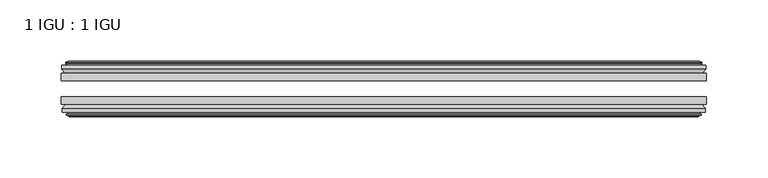
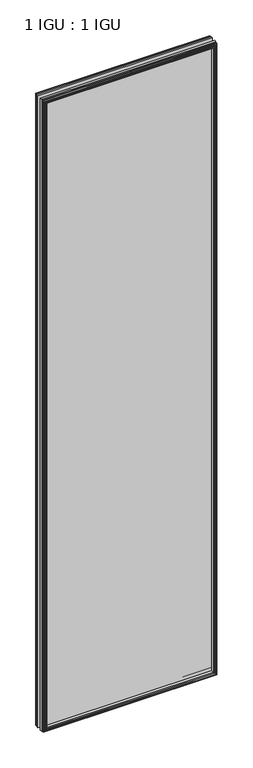
"""IFC4 building model written with IfcOpenShell, lengths in millimetres: plate geometry, 1 IGU : 1 IGU."""

from ifc_helpers import new_model, si_unit, frame, origin, place, context, project, spatial, polyline, outline, extrude, faceted_brep, source, transform, mapped, element, save


def plate_1_igu_1_igu_8767b7f7(model_context):
    return source(origin(), model_context, "Body", "SolidModel", [
        extrude(outline(polyline([(263.525, -25.8960937), (263.525, -32.2460938), (-263.525, -32.2460938), (-263.525, -25.8960937), (263.525, -25.8960937)])), frame((0.0, 0.0, -12.7), z_axis=(0.0, 0.0, 1.0), x_axis=(1.0, 0.0, 0.0)), (0.0, 0.0, 1.0), 2019.3),
        extrude(outline(polyline([(-263.525, -51.2960938), (-263.525, -45.2686737), (263.525, -45.2686737), (263.525, -51.2960938), (-263.525, -51.2960938)])), frame((0.0, 0.0, -12.7), z_axis=(0.0, 0.0, 1.0), x_axis=(1.0, 0.0, 0.0)), (0.0, 0.0, 1.0), 2019.3),
        faceted_brep([(-257.937, -60.0262907, 2001.012), (-258.318, -57.6460937, 2001.393), (-258.318, -57.6460937, -7.493), (-257.937, -60.0262907, -7.112), (-259.3525291, -59.5663575, 2002.4275291), (-259.3525291, -59.5663575, -8.5275291), (-259.3525291, -60.3675717, 2002.4275291), (-259.3525291, -60.3675717, -8.5275291), (-257.175, -61.0750937, 2000.25), (-257.175, -61.0750937, -6.35), (-254.997471, -60.3675717, 1998.072471), (-254.997471, -60.3675717, -4.1724709), (-254.997471, -59.5663575, 1998.072471), (-254.997471, -59.5663575, -4.1724709), (-256.413, -60.0262907, 1999.488), (-256.413, -60.0262907, -5.588), (-256.032, -57.6460937, 1999.107), (-256.032, -57.6460937, -5.207), (-249.1072819, -51.2960937, 1992.1822819), (-250.825, -57.6460937, 1993.9), (-250.825, -57.6460937, 0.0), (-249.1072819, -51.2960937, 1.7177181), (-262.763, -54.6996937, 2005.838), (-259.9286578, -51.2960937, 2003.0036578), (-259.9286578, -51.2960937, -9.1036578), (-262.763, -54.6996937, -11.938), (-262.763, -57.6460937, 2005.838), (-262.763, -57.6460937, -11.938), (258.318, -57.6460938, -7.493), (257.937, -60.0262907, -7.112), (259.3525291, -59.5663575, -8.5275291), (259.3525291, -60.3675717, -8.5275291), (257.175, -61.0750937, -6.35), (254.997471, -60.3675717, -4.1724709), (254.997471, -59.5663575, -4.1724709), (256.413, -60.0262907, -5.588), (256.032, -57.6460937, -5.207), (250.825, -57.6460937, 0.0), (249.1072819, -51.2960937, 1.7177181), (259.9286578, -51.2960937, -9.1036578), (262.763, -54.6996937, -11.938), (262.763, -57.6460938, -11.938), (258.318, -57.6460938, 2001.393), (257.937, -60.0262907, 2001.012), (259.3525291, -59.5663575, 2002.4275291), (259.3525291, -60.3675717, 2002.4275291), (257.175, -61.0750937, 2000.25), (254.997471, -60.3675717, 1998.072471), (254.997471, -59.5663575, 1998.072471), (256.413, -60.0262907, 1999.488), (256.032, -57.6460937, 1999.107), (250.825, -57.6460937, 1993.9), (249.1072819, -51.2960937, 1992.1822819), (259.9286578, -51.2960937, 2003.0036578), (262.763, -54.6996937, 2005.838), (262.763, -57.6460938, 2005.838)], [[[0, 1, 2, 3]], [[4, 0, 3, 5]], [[6, 4, 5, 7]], [[8, 6, 7, 9]], [[10, 8, 9, 11]], [[12, 10, 11, 13]], [[14, 12, 13, 15]], [[16, 14, 15, 17]], [[18, 19, 20, 21]], [[22, 23, 24, 25]], [[26, 22, 25, 27]], [[3, 2, 28, 29]], [[5, 3, 29, 30]], [[7, 5, 30, 31]], [[9, 7, 31, 32]], [[11, 9, 32, 33]], [[13, 11, 33, 34]], [[15, 13, 34, 35]], [[17, 15, 35, 36]], [[21, 20, 37, 38]], [[25, 24, 39, 40]], [[27, 25, 40, 41]], [[29, 28, 42, 43]], [[30, 29, 43, 44]], [[31, 30, 44, 45]], [[32, 31, 45, 46]], [[33, 32, 46, 47]], [[34, 33, 47, 48]], [[35, 34, 48, 49]], [[36, 35, 49, 50]], [[38, 37, 51, 52]], [[40, 39, 53, 54]], [[41, 40, 54, 55]], [[27, 41, 55, 26], [1, 42, 28, 2]], [[43, 42, 1, 0]], [[44, 43, 0, 4]], [[45, 44, 4, 6]], [[46, 45, 6, 8]], [[47, 46, 8, 10]], [[48, 47, 10, 12]], [[49, 48, 12, 14]], [[50, 49, 14, 16]], [[17, 36, 50, 16], [19, 51, 37, 20]], [[52, 51, 19, 18]], [[23, 53, 39, 24], [21, 38, 52, 18]], [[54, 53, 23, 22]], [[55, 54, 22, 26]]]),
        faceted_brep([(-260.4493578, -25.8960937, 2003.5243578), (-263.2837, -22.4924937, 2006.3587), (-263.2837, -22.4924937, -12.4587), (-260.4493578, -25.8960937, -9.6243578), (-251.3457, -19.5460937, 1994.4207), (-249.6279819, -25.8960937, 1992.7029819), (-249.6279819, -25.8960937, 1.1970181), (-251.3457, -19.5460937, -0.5207), (-256.9337, -17.1658968, 2000.0087), (-256.5527, -19.5460937, 1999.6277), (-256.5527, -19.5460937, -5.7277), (-256.9337, -17.1658968, -6.1087), (-255.518171, -17.62583, 1998.593171), (-255.518171, -17.62583, -4.6931709), (-255.518171, -16.8246158, 1998.593171), (-255.518171, -16.8246158, -4.6931709), (-257.6957, -16.1170937, 2000.7707), (-257.6957, -16.1170937, -6.8707), (-259.8732291, -16.8246158, 2002.9482291), (-259.8732291, -16.8246158, -9.0482291), (-259.8732291, -17.62583, 2002.9482291), (-259.8732291, -17.62583, -9.0482291), (-258.4577, -17.1658968, 2001.5327), (-258.4577, -17.1658968, -7.6327), (-258.8387, -19.5460937, 2001.9137), (-258.8387, -19.5460937, -8.0137), (-263.2837, -19.5460937, 2006.3587), (-263.2837, -19.5460937, -12.4587), (263.2837, -22.4924937, -12.4587), (260.4493578, -25.8960937, -9.6243578), (249.6279819, -25.8960937, 1.1970181), (251.3457, -19.5460937, -0.5207), (256.5527, -19.5460937, -5.7277), (256.9337, -17.1658968, -6.1087), (255.518171, -17.62583, -4.6931709), (255.518171, -16.8246158, -4.6931709), (257.6957, -16.1170937, -6.8707), (259.8732291, -16.8246158, -9.0482291), (259.8732291, -17.62583, -9.0482291), (258.4577, -17.1658968, -7.6327), (258.8387, -19.5460937, -8.0137), (263.2837, -19.5460937, -12.4587), (263.2837, -22.4924937, 2006.3587), (260.4493578, -25.8960937, 2003.5243578), (249.6279819, -25.8960937, 1992.7029819), (251.3457, -19.5460937, 1994.4207), (256.5527, -19.5460937, 1999.6277), (256.9337, -17.1658968, 2000.0087), (255.518171, -17.62583, 1998.593171), (255.518171, -16.8246158, 1998.593171), (257.6957, -16.1170937, 2000.7707), (259.8732291, -16.8246158, 2002.9482291), (259.8732291, -17.62583, 2002.9482291), (258.4577, -17.1658968, 2001.5327), (258.8387, -19.5460937, 2001.9137), (263.2837, -19.5460937, 2006.3587)], [[[0, 1, 2, 3]], [[4, 5, 6, 7]], [[8, 9, 10, 11]], [[12, 8, 11, 13]], [[14, 12, 13, 15]], [[16, 14, 15, 17]], [[18, 16, 17, 19]], [[20, 18, 19, 21]], [[22, 20, 21, 23]], [[24, 22, 23, 25]], [[1, 26, 27, 2]], [[3, 2, 28, 29]], [[7, 6, 30, 31]], [[11, 10, 32, 33]], [[13, 11, 33, 34]], [[15, 13, 34, 35]], [[17, 15, 35, 36]], [[19, 17, 36, 37]], [[21, 19, 37, 38]], [[23, 21, 38, 39]], [[25, 23, 39, 40]], [[2, 27, 41, 28]], [[29, 28, 42, 43]], [[31, 30, 44, 45]], [[33, 32, 46, 47]], [[34, 33, 47, 48]], [[35, 34, 48, 49]], [[36, 35, 49, 50]], [[37, 36, 50, 51]], [[38, 37, 51, 52]], [[39, 38, 52, 53]], [[40, 39, 53, 54]], [[28, 41, 55, 42]], [[43, 42, 1, 0]], [[3, 29, 43, 0], [5, 44, 30, 6]], [[45, 44, 5, 4]], [[9, 46, 32, 10], [7, 31, 45, 4]], [[47, 46, 9, 8]], [[48, 47, 8, 12]], [[49, 48, 12, 14]], [[50, 49, 14, 16]], [[51, 50, 16, 18]], [[52, 51, 18, 20]], [[53, 52, 20, 22]], [[54, 53, 22, 24]], [[26, 55, 41, 27], [25, 40, 54, 24]], [[42, 55, 26, 1]]]),
    ])


if __name__ == "__main__":
    model = new_model("IFC4")
    model_context = context("Model", 3, world=origin())
    ifc_project = project(units=[si_unit("LENGTHUNIT", "METRE", prefix="MILLI")], contexts=[model_context])
    site = spatial("IfcSite", under=ifc_project)
    building = spatial("IfcBuilding", under=site)
    placement = place(None, origin())
    plate_1_igu_1_igu_shape = plate_1_igu_1_igu_8767b7f7(model_context)
    element("IfcPlate", 1, ObjectType="1 IGU : 1 IGU", at=placement, inside=building, context=model_context, shape_type="MappedRepresentation", body=[
        mapped(plate_1_igu_1_igu_shape, transform((0.0, 0.0, 0.0), x_axis=(1.0, 0.0, 0.0), y_axis=(0.0, 1.0, 0.0), z_axis=(0.0, 0.0, 1.0))),
    ])
    save(model, "model.ifc")
